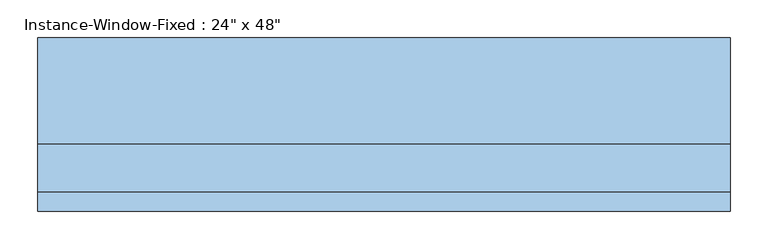
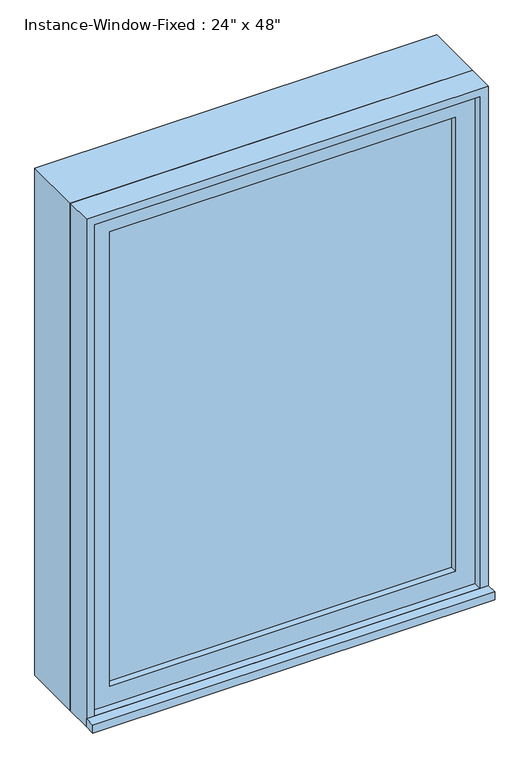
"""IFC4 building model written with IfcOpenShell, lengths in millimetres: window geometry."""

import ifcopenshell
import ifcopenshell.guid

model = None  # the IFC model being written
_history = None  # IfcOwnerHistory: only IFC2X3 demands one
_inside = {}  # id of a spatial element -> (the spatial element, [elements in it])
_under = {}  # id of a project, library or spatial element -> (it, [spatial elements below it])
_declared = {}  # id of a project -> (the project, [libraries it declares])
_typed = {}  # id of a type object -> (the type object, [elements of that type])
_made_of = {}  # id of a material, layer set ... -> (it, [elements and type objects made of it])


def new_model(schema):
    """Start an empty IFC model of exactly this schema.

    Asked for "IFC4X3", IfcOpenShell would pick the latest addendum, in which some entities
    have other attributes; the version numbers below select the first issue.
    IFC2X3 requires an IfcOwnerHistory on every rooted entity: one is made here for all.
    """
    global model, _history
    if schema == "IFC4X3":
        model = ifcopenshell.file(schema_version=(4, 3, 0, 0))
    else:
        model = ifcopenshell.file(schema=schema)
    _inside.clear()
    _under.clear()
    _declared.clear()
    _typed.clear()
    _made_of.clear()
    _history = None
    if model.schema == "IFC2X3":
        org = make("IfcOrganization", Name="unknown")
        user = make(
            "IfcPersonAndOrganization",
            ThePerson=make("IfcPerson", FamilyName="unknown"),
            TheOrganization=org,
        )
        app = make(
            "IfcApplication",
            ApplicationDeveloper=org,
            Version="unknown",
            ApplicationFullName="unknown",
            ApplicationIdentifier="unknown",
        )
        _history = make(
            "IfcOwnerHistory",
            OwningUser=user,
            OwningApplication=app,
            ChangeAction="ADDED",
            CreationDate=0,
        )
    return model


def make(cls, **values):
    """One entity of the class cls with the attributes given. An attribute that is None is left unset."""
    return model.create_entity(
        cls, **{name: value for name, value in values.items() if value is not None}
    )


def rooted(cls, **values):
    """An entity with a GlobalId (a new one), such as an element, a storey or a relation."""
    return make(cls, GlobalId=ifcopenshell.guid.new(), OwnerHistory=_history, **values)


def si_unit(unit_type, name, prefix=None):
    """IfcSIUnit, for example si_unit("LENGTHUNIT", "METRE", prefix="MILLI")."""
    return make("IfcSIUnit", UnitType=unit_type, Prefix=prefix, Name=name)


def assignment(units):
    """IfcUnitAssignment: the units of a project."""
    return None if units is None else make("IfcUnitAssignment", Units=units)


def point(xyz):
    """IfcCartesianPoint."""
    return None if xyz is None else make("IfcCartesianPoint", Coordinates=xyz)


def direction(xyz):
    """IfcDirection."""
    return None if xyz is None else make("IfcDirection", DirectionRatios=xyz)


def frame(location, z_axis=None, x_axis=None):
    """IfcAxis2Placement3D, a coordinate frame: its origin and axes. An axis left out is left unset."""
    return make(
        "IfcAxis2Placement3D",
        Location=point(location),
        Axis=direction(z_axis),
        RefDirection=direction(x_axis),
    )


def origin():
    """The frame at (0, 0, 0) with its axes left unset."""
    return frame((0.0, 0.0, 0.0))


def place(relative_to, where):
    """IfcLocalPlacement: puts the frame where relative to a parent placement (None: the world)."""
    return make(
        "IfcLocalPlacement", PlacementRelTo=relative_to, RelativePlacement=where
    )


def context(
    kind, dimensions, precision=None, world=None, true_north=None, identifier=None
):
    """IfcGeometricRepresentationContext, for example the 3D "Model" context."""
    return make(
        "IfcGeometricRepresentationContext",
        ContextIdentifier=identifier,
        ContextType=kind,
        CoordinateSpaceDimension=dimensions,
        Precision=precision,
        WorldCoordinateSystem=world,
        TrueNorth=true_north,
    )


def project(units=None, contexts=None):
    """IfcProject with its units and contexts."""
    return rooted(
        "IfcProject",
        Name="project",
        RepresentationContexts=contexts,
        UnitsInContext=assignment(units),
    )


def spatial(cls, under=None, at=None, **own):
    """A site, building, storey or space (cls), placed at a placement, below another one or the project."""
    s = rooted(cls, ObjectPlacement=at, **own)
    if under is not None:
        _under.setdefault(under.id(), (under, []))[1].append(s)
    return s


def polyline(points):
    """IfcPolyline through the points."""
    return make("IfcPolyline", Points=[point(p) for p in points])


def outline(outer, holes=None, kind="AREA"):
    """IfcArbitraryClosedProfileDef: a profile drawn as a closed curve; with holes, ...WithVoids."""
    if holes is None:
        return make("IfcArbitraryClosedProfileDef", ProfileType=kind, OuterCurve=outer)
    return make(
        "IfcArbitraryProfileDefWithVoids",
        ProfileType=kind,
        OuterCurve=outer,
        InnerCurves=holes,
    )


def extrude(swept, where, along, depth):
    """IfcExtrudedAreaSolid: the profile swept, set in the frame where, extruded along a direction by depth."""
    return make(
        "IfcExtrudedAreaSolid",
        SweptArea=swept,
        Position=where,
        ExtrudedDirection=direction(along),
        Depth=depth,
    )


def shape(context_of_items, identifier, shape_type, items):
    """IfcShapeRepresentation: the items that make up one representation, for example the "Body"."""
    return make(
        "IfcShapeRepresentation",
        ContextOfItems=context_of_items,
        RepresentationIdentifier=identifier,
        RepresentationType=shape_type,
        Items=items,
    )


def source(mapping_origin, context_of_items, identifier, shape_type, items):
    """IfcRepresentationMap: a shape defined once, which mapped items show again and again."""
    return make(
        "IfcRepresentationMap",
        MappingOrigin=mapping_origin,
        MappedRepresentation=shape(context_of_items, identifier, shape_type, items),
    )


def transform(
    local_origin,
    x_axis=None,
    y_axis=None,
    z_axis=None,
    scale=None,
    scale2=None,
    scale3=None,
    uniform=True,
):
    """IfcCartesianTransformationOperator3D, or its non-uniform kind. x_axis, y_axis, z_axis: its Axis1, 2, 3."""
    if uniform:
        return make(
            "IfcCartesianTransformationOperator3D",
            Axis1=direction(x_axis),
            Axis2=direction(y_axis),
            LocalOrigin=point(local_origin),
            Scale=scale,
            Axis3=direction(z_axis),
        )
    return make(
        "IfcCartesianTransformationOperator3DnonUniform",
        Axis1=direction(x_axis),
        Axis2=direction(y_axis),
        LocalOrigin=point(local_origin),
        Scale=scale,
        Axis3=direction(z_axis),
        Scale2=scale2,
        Scale3=scale3,
    )


def mapped(mapping_source, mapping_target):
    """IfcMappedItem: shows the shape of a source again, moved by a transform."""
    return make(
        "IfcMappedItem", MappingSource=mapping_source, MappingTarget=mapping_target
    )


def made_of(thing, what):
    """Note that an element or type object is made of a material, layer set ...; save() writes the relation."""
    if what is not None:
        _made_of.setdefault(what.id(), (what, []))[1].append(thing)
    return thing


def element(
    cls,
    number,
    at=None,
    inside=None,
    cuts=None,
    type_object=None,
    material=None,
    context=None,
    identifier="Body",
    shape_type=None,
    held_by="IfcProductDefinitionShape",
    body=None,
    shapes=None,
    **own,
):
    """One element of the class cls, such as IfcWall. Its Tag is "e" and its number.

    at: its placement. inside: the storey or other place that contains it. cuts: it is an
    opening in that element (IfcRelVoidsElement). A single representation is given by context,
    identifier, shape_type and body (its items); several are given by shapes. held_by: the class
    of the entity that holds the representations. save() writes the other relations.
    """
    e = rooted(cls, Tag="e%d" % number, ObjectPlacement=at, **own)
    if body is not None:
        shapes = [shape(context, identifier, shape_type, body)]
    if shapes is not None:
        e.Representation = make(held_by, Representations=shapes)
    if inside is not None:
        _inside.setdefault(inside.id(), (inside, []))[1].append(e)
    if cuts is not None:
        rooted(
            "IfcRelVoidsElement", RelatingBuildingElement=cuts, RelatedOpeningElement=e
        )
    if type_object is not None:
        _typed.setdefault(type_object.id(), (type_object, []))[1].append(e)
    return made_of(e, material)


def aggregate(whole, parts):
    """IfcRelAggregates: a whole, such as a stair, and the parts it consists of."""
    return rooted("IfcRelAggregates", RelatingObject=whole, RelatedObjects=parts)


def save(model, path):
    """Write the relations noted so far, then the file.

    IfcRelAggregates (storeys below a building ...), IfcRelContainedInSpatialStructure (elements
    in a storey), IfcRelDefinesByType, IfcRelAssociatesMaterial and IfcRelDeclares: one each for
    every whole, place, type object, material and project.
    """
    for whole, parts in _under.values():
        aggregate(whole, parts)
    for where, things in _inside.values():
        rooted(
            "IfcRelContainedInSpatialStructure",
            RelatedElements=things,
            RelatingStructure=where,
        )
    for kind, things in _typed.values():
        rooted("IfcRelDefinesByType", RelatedObjects=things, RelatingType=kind)
    for what, things in _made_of.values():
        rooted("IfcRelAssociatesMaterial", RelatedObjects=things, RelatingMaterial=what)
    for by, libraries in _declared.values():
        rooted("IfcRelDeclares", RelatingContext=by, RelatedDefinitions=libraries)
    model.write(path)


def window_a4d0597a(model_context):
    return source(origin(), model_context, "Body", "SweptSolid", [
        extrude(outline(polyline([(-495.3, -127.0), (-495.3, -101.6), (419.1, -101.6), (419.1, -127.0), (-495.3, -127.0)])), frame((0.0, 0.0, 914.4), z_axis=(0.0, 0.0, 1.0), x_axis=(1.0, 0.0, 0.0)), (0.0, 0.0, 1.0), 19.05),
        extrude(outline(polyline([(355.6, -53.975), (355.6, -66.675), (-431.8, -66.675), (-431.8, -53.975), (355.6, -53.975)])), frame((0.0, 0.0, 977.9), z_axis=(0.0, 0.0, 1.0), x_axis=(1.0, 0.0, 0.0)), (0.0, 0.0, 1.0), 1092.2),
        extrude(outline(polyline([(2114.55, -476.25), (933.45, -476.25), (933.45, 400.05), (2114.55, 400.05), (2114.55, -476.25)]), holes=[polyline([(2070.1, -431.8), (2070.1, 355.6), (977.9, 355.6), (977.9, -431.8), (2070.1, -431.8)])]), frame((0.0, -82.55, 0.0), z_axis=(0.0, 1.0, 0.0), x_axis=(0.0, 0.0, 1.0)), (0.0, 0.0, 1.0), 44.45),
        extrude(outline(polyline([(2133.6, -495.3), (914.4, -495.3), (914.4, 419.1), (2133.6, 419.1), (2133.6, -495.3)]), holes=[polyline([(2101.85, -463.55), (2101.85, 387.35), (946.15, 387.35), (946.15, -463.55), (2101.85, -463.55)])]), frame((0.0, -38.1, 0.0), z_axis=(0.0, 1.0, 0.0), x_axis=(0.0, 0.0, 1.0)), (0.0, 0.0, 1.0), 139.7),
        extrude(outline(polyline([(2133.6, 419.1), (2133.6, -495.3), (914.4, -495.3), (914.4, 419.1), (2133.6, 419.1)]), holes=[polyline([(2114.55, 400.05), (933.45, 400.05), (933.45, -476.25), (2114.55, -476.25), (2114.55, 400.05)])]), frame((0.0, -101.6, 0.0), z_axis=(0.0, 1.0, 0.0), x_axis=(0.0, 0.0, 1.0)), (0.0, 0.0, 1.0), 63.5),
    ])


if __name__ == "__main__":
    model = new_model("IFC4")
    model_context = context("Model", 3, world=origin())
    ifc_project = project(units=[si_unit("LENGTHUNIT", "METRE", prefix="MILLI")], contexts=[model_context])
    site = spatial("IfcSite", under=ifc_project)
    building = spatial("IfcBuilding", under=site)
    placement = place(None, origin())
    window_shape = window_a4d0597a(model_context)
    element("IfcWindow", 1, ObjectType="Instance-Window-Fixed : 24\" x 48\"", at=placement, inside=building, context=model_context, shape_type="MappedRepresentation", body=[
        mapped(window_shape, transform((0.0, 0.0, 0.0), x_axis=(1.0, 0.0, 0.0), y_axis=(0.0, 1.0, 0.0), z_axis=(0.0, 0.0, 1.0))),
    ])
    save(model, "model.ifc")
